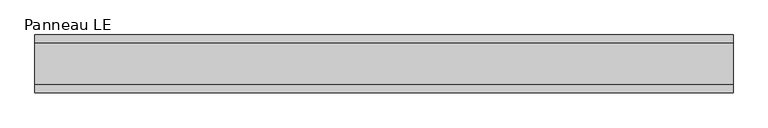
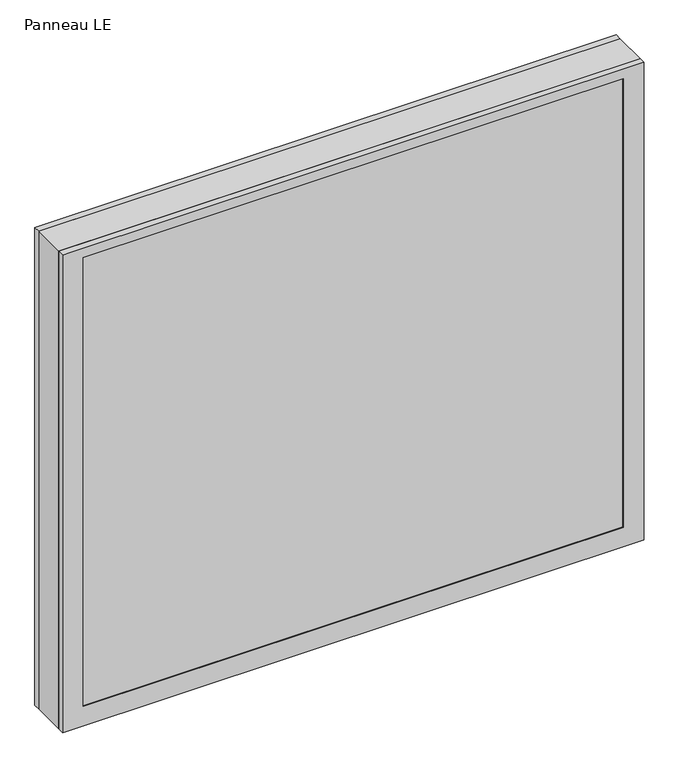
"""IFC4 building model written with IfcOpenShell, lengths in millimetres: plate geometry, Panneau LE."""

from ifc_helpers import new_model, si_unit, frame, origin, place, context, project, spatial, polyline, outline, extrude, faceted_brep, source, transform, mapped, element, save


def panneau_le_ab0ed7ee(model_context):
    return source(origin(), model_context, "Body", "SolidModel", [
        faceted_brep([(-544.8750001, 33.0, 946.5), (-544.8750001, 45.0, 946.5), (-544.8750001, 45.0, 0.0), (-544.8750001, 33.0, 0.0), (544.8750001, 33.0, 0.0), (544.8750001, 45.0, 0.0), (544.8750001, 45.0, 946.5), (544.8750001, 33.0, 946.5), (-505.8750001, 45.0, 927.5), (-505.8750001, 45.0, 39.0), (505.8750001, 45.0, 39.0), (505.8750001, 45.0, 927.5), (505.8750001, 43.8, 927.5), (-505.8750001, 43.8, 927.5), (-520.8750001, 43.8, 942.5), (-520.8750001, 43.8, 24.0), (520.8750001, 43.8, 24.0), (520.8750001, 43.8, 942.5), (505.8750001, 43.8, 39.0), (-505.8750001, 43.8, 39.0), (520.8750001, 33.0, 942.5), (-520.8750001, 33.0, 942.5), (520.8750001, 33.0, 24.0), (-520.8750001, 33.0, 24.0)], [[[0, 1, 2, 3]], [[4, 5, 6, 7]], [[6, 1, 0, 7]], [[2, 1, 6, 5], [8, 9, 10, 11]], [[8, 11, 12, 13]], [[14, 15, 16, 17], [13, 12, 18, 19]], [[14, 17, 20, 21]], [[0, 3, 4, 7], [20, 22, 23, 21]], [[23, 22, 16, 15]], [[19, 18, 10, 9]], [[4, 3, 2, 5]], [[21, 23, 15, 14]], [[13, 19, 9, 8]], [[18, 12, 11, 10]], [[22, 20, 17, 16]]]),
        faceted_brep([(-544.8750001, -33.0, 0.0), (-544.8750001, -45.0, 0.0), (-544.8750001, -45.0, 946.5), (-544.8750001, -33.0, 946.5), (544.8750001, -45.0, 0.0), (544.8750001, -33.0, 0.0), (544.8750001, -33.0, 946.5), (544.8750001, -45.0, 946.5), (505.8750001, -45.0, 927.5), (505.8750001, -45.0, 39.0), (-505.8750001, -45.0, 39.0), (-505.8750001, -45.0, 927.5), (-520.8750001, -33.0, 942.5), (-520.8750001, -33.0, 24.0), (520.8750001, -33.0, 24.0), (520.8750001, -33.0, 942.5), (520.8750001, -43.8, 942.5), (-520.8750001, -43.8, 942.5), (520.8750001, -43.8, 24.0), (-520.8750001, -43.8, 24.0), (-505.8750001, -43.8, 927.5), (-505.8750001, -43.8, 39.0), (505.8750001, -43.8, 39.0), (505.8750001, -43.8, 927.5)], [[[0, 1, 2, 3]], [[4, 5, 6, 7]], [[2, 1, 4, 7], [8, 9, 10, 11]], [[6, 3, 2, 7]], [[0, 3, 6, 5], [12, 13, 14, 15]], [[12, 15, 16, 17]], [[17, 16, 18, 19], [20, 21, 22, 23]], [[8, 11, 20, 23]], [[10, 9, 22, 21]], [[19, 18, 14, 13]], [[4, 1, 0, 5]], [[11, 10, 21, 20]], [[17, 19, 13, 12]], [[18, 16, 15, 14]], [[9, 8, 23, 22]]]),
        extrude(outline(polyline([(946.5, 544.8750001), (946.5, -544.8750001), (0.0, -544.8750001), (0.0, 544.8750001), (946.5, 544.8750001)]), holes=[polyline([(46.0, -504.8750001), (920.5, -504.8750001), (920.5, 504.8750001), (46.0, 504.8750001), (46.0, -504.8750001)])]), frame((0.0, -33.0, 0.0), z_axis=(0.0, 1.0, 0.0), x_axis=(0.0, 0.0, 1.0)), (0.0, 0.0, 1.0), 66.0),
        extrude(outline(polyline([(520.8750001, 37.8), (-520.8750001, 37.8), (-520.8750001, 43.8), (520.8750001, 43.8), (520.8750001, 37.8)])), frame((0.0, 0.0, 24.0), z_axis=(0.0, 0.0, 1.0), x_axis=(1.0, 0.0, 0.0)), (0.0, 0.0, 1.0), 918.5),
        extrude(outline(polyline([(-520.8750001, -43.8), (-520.8750001, -37.8), (520.8750001, -37.8), (520.8750001, -43.8), (-520.8750001, -43.8)])), frame((0.0, 0.0, 24.0), z_axis=(0.0, 0.0, 1.0), x_axis=(1.0, 0.0, 0.0)), (0.0, 0.0, 1.0), 918.5),
    ])


if __name__ == "__main__":
    model = new_model("IFC4")
    model_context = context("Model", 3, world=origin())
    ifc_project = project(units=[si_unit("LENGTHUNIT", "METRE", prefix="MILLI")], contexts=[model_context])
    site = spatial("IfcSite", under=ifc_project)
    building = spatial("IfcBuilding", under=site)
    placement = place(None, origin())
    panneau_le_shape = panneau_le_ab0ed7ee(model_context)
    element("IfcPlate", 1, ObjectType="Panneau LE", at=placement, inside=building, context=model_context, shape_type="MappedRepresentation", body=[
        mapped(panneau_le_shape, transform((0.0, 0.0, 0.0), x_axis=(1.0, 0.0, 0.0), y_axis=(0.0, 1.0, 0.0), z_axis=(0.0, 0.0, 1.0))),
    ])
    save(model, "model.ifc")
